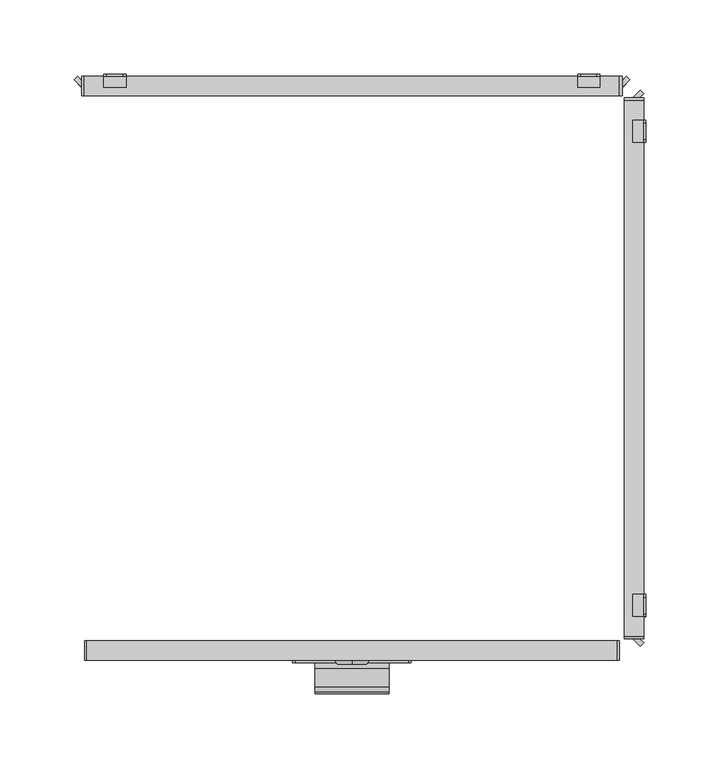
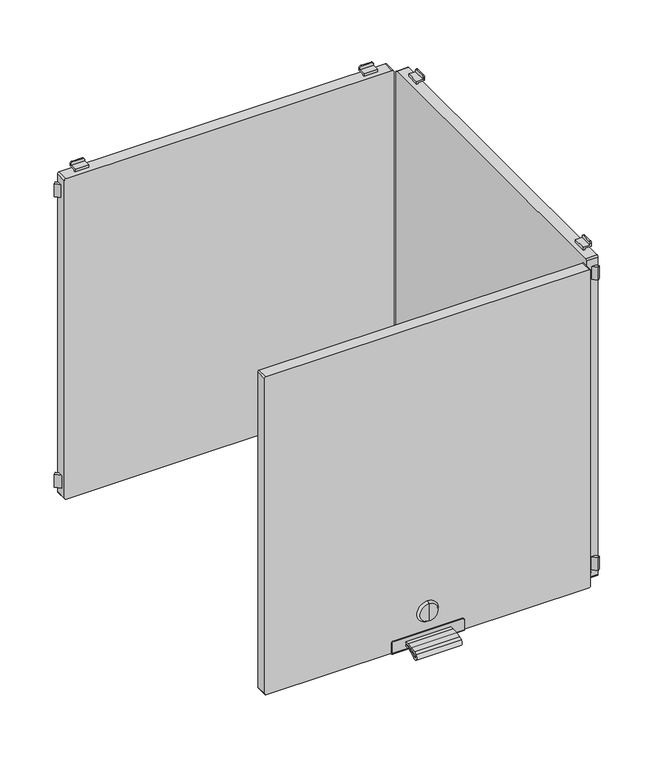
"""IFC4 building model written with IfcOpenShell, lengths in millimetres: furniture geometry."""

from ifc_helpers import new_model, si_unit, point, frame, frame_2d, origin, place, context, project, spatial, polyline, circle_curve, trimmed, segment, composite_curve, outline, extrude, source, transform, mapped, element, save
from ifc_brep_helpers import plane_surface, cylinder_surface, revolved_surface, advanced_brep


def furniture_97cbae9f(model_context):
    return source(origin(), model_context, "Body", "SolidModel", [
        extrude(outline(composite_curve([segment(polyline([(-202.226909, 1330.4286545), (-198.5, 1330.4286545), (-198.5, 1328.5286545), (-202.226909, 1328.5286545)]), True, "CONTINUOUS"), segment(trimmed(circle_curve(frame_2d((-202.226909, 1286.4886922)), 42.0399623), [point((-202.226909, 1328.5286545))], [point((-214.4555436, 1326.710812))], True, "CARTESIAN"), True, "CONTINUOUS"), segment(trimmed(circle_curve(frame_2d((-212.0259096, 1318.7193203)), 8.352668), [point((-214.4555436, 1326.710812))], [point((-216.9670362, 1325.4537341))], True, "CARTESIAN"), True, "CONTINUOUS"), segment(trimmed(circle_curve(frame_2d((-215.7726745, 1323.8259018)), 2.0189943), [point((-216.9670362, 1325.4537341))], [point((-214.4167634, 1322.3299595))], True, "CARTESIAN"), True, "CONTINUOUS"), segment(trimmed(circle_curve(frame_2d((-202.2269079, 1308.8812021)), 18.1510786), [point((-214.4167634, 1322.3299595))], [point((-202.2269079, 1327.0322806))], False, "CARTESIAN"), True, "CONTINUOUS"), segment(polyline([(-202.2269079, 1327.0322806), (-198.5, 1327.0322806), (-198.5, 1325.1322806), (-202.2269079, 1325.1322806)]), True, "CONTINUOUS"), segment(trimmed(circle_curve(frame_2d((-202.2269079, 1308.8812021)), 16.2510786), [point((-202.2269079, 1325.1322806))], [point((-213.1407662, 1320.9221843))], True, "CARTESIAN"), True, "CONTINUOUS"), segment(trimmed(circle_curve(frame_2d((-215.7726745, 1323.8259018)), 3.9189943), [point((-213.1407662, 1320.9221843))], [point((-218.0910053, 1326.9856263))], False, "CARTESIAN"), True, "CONTINUOUS"), segment(trimmed(circle_curve(frame_2d((-212.0259096, 1318.7193203)), 10.252668), [point((-218.0910053, 1326.9856263))], [point((-215.0082179, 1328.5286545))], False, "CARTESIAN"), True, "CONTINUOUS"), segment(trimmed(circle_curve(frame_2d((-202.226909, 1286.4886922)), 43.9399623), [point((-215.0082179, 1328.5286545))], [point((-202.226909, 1330.4286545))], False, "CARTESIAN"), True, "CONTINUOUS")], self_intersect=False)), frame((-25.0, 0.0, 0.0), z_axis=(1.0, 0.0, 0.0), x_axis=(0.0, 1.0, 0.0)), (0.0, 0.0, 1.0), 50.0),
        advanced_brep(
        [(0.0, -199.7, 1356.6837841), (0.0, -199.7, 1366.6265951), (0.0, -199.7, 1346.740973), (0.0, -197.0, 1344.8059292), (0.0, -197.0, 1368.5616389), (0.0, -197.0, 1356.6837841)],
        [
            (0, 1),
            (1, 2, circle_curve(frame((0.0, -199.7, 1356.6837841), z_axis=(0.0, -1.0, 0.0), x_axis=(0.0, 0.0, 1.0)), 9.9428111)),
            (2, 0),
            (2, 1, circle_curve(frame((0.0, -199.7, 1356.6837841), z_axis=(0.0, -1.0, 0.0), x_axis=(0.0, 0.0, 1.0)), 9.9428111)),
            (3, 4, circle_curve(frame((0.0, -197.0, 1356.6837841), z_axis=(0.0, 1.0, 0.0), x_axis=(0.0, 0.0, 1.0)), 11.8778548)),
            (4, 5),
            (5, 3),
            (4, 3, circle_curve(frame((0.0, -197.0, 1356.6837841), z_axis=(0.0, 1.0, 0.0), x_axis=(0.0, 0.0, 1.0)), 11.8778548)),
            (1, 4),
            (3, 2),
        ],
        [
            plane_surface(frame((0.0, -199.7, 1356.6837841), z_axis=(0.0, -1.0, 0.0), x_axis=(0.0, 0.0, 1.0))),
            plane_surface(frame((0.0, -197.0, 1356.6837841), z_axis=(0.0, 1.0, 0.0), x_axis=(0.0, 0.0, 1.0))),
            revolved_surface(polyline([(0.0, -197.0, 1368.5616389), (0.0, -199.7, 1366.6265951)]), (0.0, -202.2563621, 1356.6837841), (0.0, -1.0, 0.0)),
        ],
        [
            (0, [[1, 2, 3]]),
            (0, [[-3, 4, -1]]),
            (1, [[5, 6, 7]]),
            (1, [[8, -7, -6]]),
            (2, [[-2, 9, -5, 10]]),
            (2, [[-4, -10, -8, -9]]),
        ],
    ),
        advanced_brep(
        [(38.2, -198.5, 1335.0), (-38.2, -198.5, 1335.0), (-40.0, -198.5, 1333.2), (-40.0, -198.5, 1322.0), (40.0, -198.5, 1322.0), (40.0, -198.5, 1333.2), (38.2, -197.0, 1335.0), (40.0, -197.0, 1333.2), (40.0, -197.0, 1321.5), (-40.0, -197.0, 1321.5), (-40.0, -197.0, 1333.2), (-38.2, -197.0, 1335.0), (-40.0, -184.0, 1321.5), (-40.0, -184.0, 1320.0), (-40.0, -196.5, 1320.0), (40.0, -196.5, 1320.0), (40.0, -184.0, 1320.0), (40.0, -184.0, 1321.5)],
        [
            (0, 1),
            (1, 2, circle_curve(frame((-38.2, -198.5, 1333.2), z_axis=(0.0, -1.0, 0.0), x_axis=(1.0, 0.0, 0.0)), 1.8)),
            (2, 3),
            (3, 4),
            (4, 5),
            (5, 0, circle_curve(frame((38.2, -198.5, 1333.2), z_axis=(0.0, -1.0, 0.0), x_axis=(1.0, 0.0, 0.0)), 1.8)),
            (6, 7, circle_curve(frame((38.2, -197.0, 1333.2), z_axis=(0.0, 1.0, 0.0), x_axis=(1.0, 0.0, 0.0)), 1.8)),
            (7, 8),
            (8, 9),
            (9, 10),
            (10, 11, circle_curve(frame((-38.2, -197.0, 1333.2), z_axis=(0.0, 1.0, 0.0), x_axis=(1.0, 0.0, 0.0)), 1.8)),
            (11, 6),
            (0, 6),
            (11, 1),
            (10, 2),
            (9, 12),
            (12, 13),
            (13, 14),
            (14, 3, circle_curve(frame((-40.0, -196.5, 1322.0), z_axis=(-1.0, 0.0, 0.0), x_axis=(0.0, 1.0, 0.0)), 2.0)),
            (4, 15, circle_curve(frame((40.0, -196.5, 1322.0), z_axis=(1.0, 0.0, 0.0), x_axis=(0.0, 1.0, 0.0)), 2.0)),
            (15, 16),
            (16, 17),
            (17, 8),
            (7, 5),
            (15, 14),
            (13, 16),
            (12, 17),
        ],
        [
            plane_surface(frame((-40.0, -198.5, 1335.0), z_axis=(0.0, -1.0, 0.0), x_axis=(-1.0, 0.0, 0.0))),
            plane_surface(frame((-40.0, -197.0, 1335.0), z_axis=(0.0, 1.0, 0.0), x_axis=(1.0, 0.0, 0.0))),
            plane_surface(frame((38.2, -198.5, 1335.0), z_axis=(0.0, 0.0, 1.0), x_axis=(0.0, 1.0, 0.0))),
            cylinder_surface(frame((-38.2, -197.0, 1333.2), z_axis=(0.0, -1.0, 0.0), x_axis=(1.0, 0.0, 0.0)), 1.8),
            plane_surface(frame((-40.0, -198.5, 1333.2), z_axis=(-1.0, 0.0, 0.0), x_axis=(0.0, 1.0, 0.0))),
            plane_surface(frame((40.0, -198.5, 1324.5), z_axis=(1.0, 0.0, 0.0), x_axis=(0.0, 1.0, 0.0))),
            cylinder_surface(frame((38.2, -197.0, 1333.2), z_axis=(0.0, -1.0, 0.0), x_axis=(1.0, 0.0, 0.0)), 1.8),
            plane_surface(frame((40.0, -196.5, 1320.0), z_axis=(0.0, 0.0, -1.0), x_axis=(-1.0, 0.0, 0.0))),
            plane_surface(frame((40.0, -184.0, 1320.0), z_axis=(0.0, 1.0, 0.0), x_axis=(-1.0, 0.0, 0.0))),
            plane_surface(frame((40.0, -184.0, 1321.5), z_axis=(0.0, 0.0, 1.0), x_axis=(-1.0, 0.0, 0.0))),
            cylinder_surface(frame((-40.0, -196.5, 1322.0), z_axis=(1.0, 0.0, 0.0), x_axis=(0.0, 1.0, 0.0)), 2.0),
        ],
        [
            (0, [[1, 2, 3, 4, 5, 6]]),
            (1, [[7, 8, 9, 10, 11, 12]]),
            (2, [[-1, 13, -12, 14]]),
            (3, [[-2, -14, -11, 15]]),
            (4, [[-3, -15, -10, 16, 17, 18, 19]]),
            (5, [[-5, 20, 21, 22, 23, -8, 24]]),
            (6, [[-6, -24, -7, -13]]),
            (7, [[-21, 25, -18, 26]]),
            (8, [[-22, -26, -17, 27]]),
            (9, [[-23, -27, -16, -9]]),
            (10, [[-20, -4, -19, -25]]),
        ],
    ),
        extrude(outline(composite_curve([segment(polyline([(1693.5, 179.0), (1693.5, -179.0)]), True, "CONTINUOUS"), segment(trimmed(circle_curve(frame_2d((1692.0, -179.0)), 1.5), [point((1693.5, -179.0))], [point((1692.0, -180.5))], False, "CARTESIAN"), True, "CONTINUOUS"), segment(polyline([(1692.0, -180.5), (1323.0, -180.5)]), True, "CONTINUOUS"), segment(trimmed(circle_curve(frame_2d((1323.0, -179.0)), 1.5), [point((1323.0, -180.5))], [point((1321.5, -179.0))], False, "CARTESIAN"), True, "CONTINUOUS"), segment(polyline([(1321.5, -179.0), (1321.5, 179.0)]), True, "CONTINUOUS"), segment(trimmed(circle_curve(frame_2d((1323.0, 179.0)), 1.5), [point((1321.5, 179.0))], [point((1323.0, 180.5))], False, "CARTESIAN"), True, "CONTINUOUS"), segment(polyline([(1323.0, 180.5), (1692.0, 180.5)]), True, "CONTINUOUS"), segment(trimmed(circle_curve(frame_2d((1692.0, 179.0)), 1.5), [point((1692.0, 180.5))], [point((1693.5, 179.0))], False, "CARTESIAN"), True, "CONTINUOUS")], self_intersect=False)), frame((0.0, -197.0, 0.0), z_axis=(0.0, 1.0, 0.0), x_axis=(0.0, 0.0, 1.0)), (0.0, 0.0, 1.0), 13.0),
        advanced_brep(
        [(152.5, 197.0, 1315.5), (154.5, 197.0, 1313.5), (165.5, 197.0, 1313.5), (167.5, 197.0, 1315.5), (167.5, 197.0, 1317.0), (152.5, 197.0, 1317.0), (152.5, 198.5, 1318.5), (167.5, 198.5, 1318.5), (167.5, 198.5, 1315.5), (165.5, 198.5, 1313.5), (154.5, 198.5, 1313.5), (152.5, 198.5, 1315.5), (152.5, 189.5011497, 1317.0), (152.5, 189.5011497, 1320.0), (152.5, 191.0011497, 1320.0), (152.5, 191.0011497, 1318.5), (167.5, 191.0011497, 1318.5), (167.5, 191.0011497, 1320.0), (167.5, 189.5011497, 1320.0), (167.5, 189.5011497, 1317.0)],
        [
            (0, 1, circle_curve(frame((154.5, 197.0, 1315.5), z_axis=(0.0, -1.0, 0.0), x_axis=(1.0, 0.0, 0.0)), 2.0)),
            (1, 2),
            (2, 3, circle_curve(frame((165.5, 197.0, 1315.5), z_axis=(0.0, -1.0, 0.0), x_axis=(1.0, 0.0, 0.0)), 2.0)),
            (3, 4),
            (4, 5),
            (5, 0),
            (6, 7),
            (7, 8),
            (8, 9, circle_curve(frame((165.5, 198.5, 1315.5), z_axis=(0.0, 1.0, 0.0), x_axis=(1.0, 0.0, 0.0)), 2.0)),
            (9, 10),
            (10, 11, circle_curve(frame((154.5, 198.5, 1315.5), z_axis=(0.0, 1.0, 0.0), x_axis=(1.0, 0.0, 0.0)), 2.0)),
            (11, 6),
            (11, 0),
            (5, 12),
            (12, 13),
            (13, 14),
            (14, 15),
            (15, 6),
            (10, 1),
            (9, 2),
            (8, 3),
            (7, 16),
            (16, 17),
            (17, 18),
            (18, 19),
            (19, 4),
            (15, 16),
            (12, 19),
            (18, 13),
            (17, 14),
        ],
        [
            plane_surface(frame((152.5, 197.0, 1317.0), z_axis=(0.0, -1.0, 0.0), x_axis=(0.0, 0.0, -1.0))),
            plane_surface(frame((152.5, 198.5, 1317.0), z_axis=(0.0, 1.0, 0.0), x_axis=(0.0, 0.0, 1.0))),
            plane_surface(frame((152.5, 197.0, 1318.5), z_axis=(-1.0, 0.0, 0.0), x_axis=(0.0, 1.0, 0.0))),
            cylinder_surface(frame((154.5, 198.5, 1315.5), z_axis=(0.0, -1.0, 0.0), x_axis=(1.0, 0.0, 0.0)), 2.0),
            plane_surface(frame((154.5, 197.0, 1313.5), z_axis=(0.0, 0.0, -1.0), x_axis=(0.0, 1.0, 0.0))),
            cylinder_surface(frame((165.5, 198.5, 1315.5), z_axis=(0.0, -1.0, 0.0), x_axis=(1.0, 0.0, 0.0)), 2.0),
            plane_surface(frame((167.5, 197.0, 1315.5), z_axis=(1.0, 0.0, 0.0), x_axis=(0.0, 1.0, 0.0))),
            plane_surface(frame((167.5, 197.0, 1318.5), z_axis=(0.0, 0.0, 1.0), x_axis=(0.0, 1.0, 0.0))),
            plane_surface(frame((152.5, 189.5011497, 1317.0), z_axis=(0.0, -1.0, 0.0), x_axis=(1.0, 0.0, 0.0))),
            plane_surface(frame((152.5, 189.5011497, 1320.0), z_axis=(0.0, 0.0, 1.0), x_axis=(1.0, 0.0, 0.0))),
            plane_surface(frame((152.5, 191.0011497, 1320.0), z_axis=(0.0, 1.0, 0.0), x_axis=(1.0, 0.0, 0.0))),
            plane_surface(frame((152.5, 197.0, 1317.0), z_axis=(0.0, 0.0, -1.0), x_axis=(1.0, 0.0, 0.0))),
        ],
        [
            (0, [[1, 2, 3, 4, 5, 6]]),
            (1, [[7, 8, 9, 10, 11, 12]]),
            (2, [[-12, 13, -6, 14, 15, 16, 17, 18]]),
            (3, [[-1, -13, -11, 19]]),
            (4, [[-2, -19, -10, 20]]),
            (5, [[-3, -20, -9, 21]]),
            (6, [[-8, 22, 23, 24, 25, 26, -4, -21]]),
            (7, [[-22, -7, -18, 27]]),
            (8, [[-15, 28, -25, 29]]),
            (9, [[-16, -29, -24, 30]]),
            (10, [[-17, -30, -23, -27]]),
            (11, [[-14, -5, -26, -28]]),
        ],
    ),
        advanced_brep(
        [(-167.5, 197.0, 1315.5), (-165.5, 197.0, 1313.5), (-154.5, 197.0, 1313.5), (-152.5, 197.0, 1315.5), (-152.5, 197.0, 1317.0), (-167.5, 197.0, 1317.0), (-152.5, 198.5, 1318.5), (-152.5, 198.5, 1315.5), (-154.5, 198.5, 1313.5), (-165.5, 198.5, 1313.5), (-167.5, 198.5, 1315.5), (-167.5, 198.5, 1318.5), (-167.5, 191.0011497, 1318.5), (-152.5, 191.0011497, 1318.5), (-167.5, 189.5011497, 1317.0), (-167.5, 189.5011497, 1320.0), (-167.5, 191.0011497, 1320.0), (-152.5, 191.0011497, 1320.0), (-152.5, 189.5011497, 1320.0), (-152.5, 189.5011497, 1317.0)],
        [
            (0, 1, circle_curve(frame((-165.5, 197.0, 1315.5), z_axis=(0.0, -1.0, 0.0), x_axis=(1.0, 0.0, 0.0)), 2.0)),
            (1, 2),
            (2, 3, circle_curve(frame((-154.5, 197.0, 1315.5), z_axis=(0.0, -1.0, 0.0), x_axis=(1.0, 0.0, 0.0)), 2.0)),
            (3, 4),
            (4, 5),
            (5, 0),
            (6, 7),
            (7, 8, circle_curve(frame((-154.5, 198.5, 1315.5), z_axis=(0.0, 1.0, 0.0), x_axis=(1.0, 0.0, 0.0)), 2.0)),
            (8, 9),
            (9, 10, circle_curve(frame((-165.5, 198.5, 1315.5), z_axis=(0.0, 1.0, 0.0), x_axis=(1.0, 0.0, 0.0)), 2.0)),
            (10, 11),
            (11, 6),
            (11, 12),
            (12, 13),
            (13, 6),
            (10, 0),
            (5, 14),
            (14, 15),
            (15, 16),
            (16, 12),
            (9, 1),
            (8, 2),
            (7, 3),
            (13, 17),
            (17, 18),
            (18, 19),
            (19, 4),
            (18, 15),
            (14, 19),
            (17, 16),
        ],
        [
            plane_surface(frame((152.5, 197.0, 1317.0), z_axis=(0.0, -1.0, 0.0), x_axis=(0.0, 0.0, -1.0))),
            plane_surface(frame((152.5, 198.5, 1317.0), z_axis=(0.0, 1.0, 0.0), x_axis=(0.0, 0.0, 1.0))),
            plane_surface(frame((-152.5, 197.0, 1318.5), z_axis=(0.0, 0.0, 1.0), x_axis=(0.0, 1.0, 0.0))),
            plane_surface(frame((-167.5, 197.0, 1318.5), z_axis=(-1.0, 0.0, 0.0), x_axis=(0.0, 1.0, 0.0))),
            cylinder_surface(frame((-165.5, 200.0, 1315.5), z_axis=(0.0, -1.0, 0.0), x_axis=(1.0, 0.0, 0.0)), 2.0),
            plane_surface(frame((-165.5, 197.0, 1313.5), z_axis=(0.0, 0.0, -1.0), x_axis=(0.0, 1.0, 0.0))),
            cylinder_surface(frame((-154.5, 200.0, 1315.5), z_axis=(0.0, -1.0, 0.0), x_axis=(1.0, 0.0, 0.0)), 2.0),
            plane_surface(frame((-152.5, 197.0, 1315.5), z_axis=(1.0, 0.0, 0.0), x_axis=(0.0, 1.0, 0.0))),
            plane_surface(frame((-152.5, 189.5011497, 1320.0), z_axis=(0.0, -1.0, 0.0), x_axis=(-1.0, 0.0, 0.0))),
            plane_surface(frame((-152.5, 191.0011497, 1320.0), z_axis=(0.0, 0.0, 1.0), x_axis=(-1.0, 0.0, 0.0))),
            plane_surface(frame((-152.5, 191.0011497, 1318.5), z_axis=(0.0, 1.0, 0.0), x_axis=(-1.0, 0.0, 0.0))),
            plane_surface(frame((-152.5, 189.5011497, 1317.0), z_axis=(0.0, 0.0, -1.0), x_axis=(-1.0, 0.0, 0.0))),
        ],
        [
            (0, [[1, 2, 3, 4, 5, 6]]),
            (1, [[7, 8, 9, 10, 11, 12]]),
            (2, [[-12, 13, 14, 15]]),
            (3, [[-11, 16, -6, 17, 18, 19, 20, -13]]),
            (4, [[-1, -16, -10, 21]]),
            (5, [[-2, -21, -9, 22]]),
            (6, [[-3, -22, -8, 23]]),
            (7, [[-7, -15, 24, 25, 26, 27, -4, -23]]),
            (8, [[-26, 28, -18, 29]]),
            (9, [[-25, 30, -19, -28]]),
            (10, [[-24, -14, -20, -30]]),
            (11, [[-27, -29, -17, -5]]),
        ],
    ),
        advanced_brep(
        [(167.5, 197.0, 1699.5), (165.5, 197.0, 1701.5), (154.5, 197.0, 1701.5), (152.5, 197.0, 1699.5), (152.5, 197.0, 1698.0), (167.5, 197.0, 1698.0), (152.5, 198.5, 1696.5), (152.5, 198.5, 1699.5), (154.5, 198.5, 1701.5), (165.5, 198.5, 1701.5), (167.5, 198.5, 1699.5), (167.5, 198.5, 1696.5), (152.5, 189.5011497, 1698.0), (152.5, 191.0011497, 1696.5), (152.5, 191.0011497, 1695.0), (152.5, 189.5011497, 1695.0), (167.5, 189.5011497, 1698.0), (167.5, 189.5011497, 1695.0), (167.5, 191.0011497, 1695.0), (167.5, 191.0011497, 1696.5)],
        [
            (0, 1, circle_curve(frame((165.5, 197.0, 1699.5), z_axis=(0.0, -1.0, 0.0), x_axis=(1.0, 0.0, 0.0)), 2.0)),
            (1, 2),
            (2, 3, circle_curve(frame((154.5, 197.0, 1699.5), z_axis=(0.0, -1.0, 0.0), x_axis=(1.0, 0.0, 0.0)), 2.0)),
            (3, 4),
            (4, 5),
            (5, 0),
            (6, 7),
            (7, 8, circle_curve(frame((154.5, 198.5, 1699.5), z_axis=(0.0, 1.0, 0.0), x_axis=(1.0, 0.0, 0.0)), 2.0)),
            (8, 9),
            (9, 10, circle_curve(frame((165.5, 198.5, 1699.5), z_axis=(0.0, 1.0, 0.0), x_axis=(1.0, 0.0, 0.0)), 2.0)),
            (10, 11),
            (11, 6),
            (12, 4),
            (3, 7),
            (6, 13),
            (13, 14),
            (14, 15),
            (15, 12),
            (16, 17),
            (17, 18),
            (18, 19),
            (19, 11),
            (10, 0),
            (5, 16),
            (19, 13),
            (9, 1),
            (8, 2),
            (12, 16),
            (18, 14),
            (17, 15),
        ],
        [
            plane_surface(frame((152.5, 197.0, 1317.0), z_axis=(0.0, -1.0, 0.0), x_axis=(0.0, 0.0, -1.0))),
            plane_surface(frame((152.5, 198.5, 1317.0), z_axis=(0.0, 1.0, 0.0), x_axis=(0.0, 0.0, 1.0))),
            plane_surface(frame((152.5, 197.0, 1318.5), z_axis=(-1.0, 0.0, 0.0), x_axis=(0.0, 1.0, 0.0))),
            plane_surface(frame((167.5, 197.0, 1315.5), z_axis=(1.0, 0.0, 0.0), x_axis=(0.0, 1.0, 0.0))),
            plane_surface(frame((152.5, 197.0, 1696.5), z_axis=(0.0, 0.0, -1.0), x_axis=(0.0, 1.0, 0.0))),
            cylinder_surface(frame((165.5, 200.0, 1699.5), z_axis=(0.0, -1.0, 0.0), x_axis=(1.0, 0.0, 0.0)), 2.0),
            plane_surface(frame((165.5, 197.0, 1701.5), z_axis=(0.0, 0.0, 1.0), x_axis=(0.0, 1.0, 0.0))),
            cylinder_surface(frame((154.5, 200.0, 1699.5), z_axis=(0.0, -1.0, 0.0), x_axis=(1.0, 0.0, 0.0)), 2.0),
            plane_surface(frame((152.5, 189.5011497, 1698.0), z_axis=(0.0, 0.0, 1.0), x_axis=(1.0, 0.0, 0.0))),
            plane_surface(frame((152.5, 191.0011497, 1696.5), z_axis=(0.0, 1.0, 0.0), x_axis=(1.0, 0.0, 0.0))),
            plane_surface(frame((152.5, 191.0011497, 1695.0), z_axis=(0.0, 0.0, -1.0), x_axis=(1.0, 0.0, 0.0))),
            plane_surface(frame((152.5, 189.5011497, 1695.0), z_axis=(0.0, -1.0, 0.0), x_axis=(1.0, 0.0, 0.0))),
        ],
        [
            (0, [[1, 2, 3, 4, 5, 6]]),
            (1, [[7, 8, 9, 10, 11, 12]]),
            (2, [[13, -4, 14, -7, 15, 16, 17, 18]]),
            (3, [[19, 20, 21, 22, -11, 23, -6, 24]]),
            (4, [[-15, -12, -22, 25]]),
            (5, [[-1, -23, -10, 26]]),
            (6, [[-2, -26, -9, 27]]),
            (7, [[-3, -27, -8, -14]]),
            (8, [[-13, 28, -24, -5]]),
            (9, [[-16, -25, -21, 29]]),
            (10, [[-17, -29, -20, 30]]),
            (11, [[-18, -30, -19, -28]]),
        ],
    ),
        advanced_brep(
        [(-152.5, 197.0, 1699.5), (-154.5, 197.0, 1701.5), (-165.5, 197.0, 1701.5), (-167.5, 197.0, 1699.5), (-167.5, 197.0, 1698.0), (-152.5, 197.0, 1698.0), (-152.5, 198.5, 1696.5), (-167.5, 198.5, 1696.5), (-167.5, 198.5, 1699.5), (-165.5, 198.5, 1701.5), (-154.5, 198.5, 1701.5), (-152.5, 198.5, 1699.5), (-167.5, 191.0011497, 1696.5), (-167.5, 191.0011497, 1695.0), (-167.5, 189.5011497, 1695.0), (-167.5, 189.5011497, 1698.0), (-152.5, 189.5011497, 1698.0), (-152.5, 189.5011497, 1695.0), (-152.5, 191.0011497, 1695.0), (-152.5, 191.0011497, 1696.5)],
        [
            (0, 1, circle_curve(frame((-154.5, 197.0, 1699.5), z_axis=(0.0, -1.0, 0.0), x_axis=(1.0, 0.0, 0.0)), 2.0)),
            (1, 2),
            (2, 3, circle_curve(frame((-165.5, 197.0, 1699.5), z_axis=(0.0, -1.0, 0.0), x_axis=(1.0, 0.0, 0.0)), 2.0)),
            (3, 4),
            (4, 5),
            (5, 0),
            (6, 7),
            (7, 8),
            (8, 9, circle_curve(frame((-165.5, 198.5, 1699.5), z_axis=(0.0, 1.0, 0.0), x_axis=(1.0, 0.0, 0.0)), 2.0)),
            (9, 10),
            (10, 11, circle_curve(frame((-154.5, 198.5, 1699.5), z_axis=(0.0, 1.0, 0.0), x_axis=(1.0, 0.0, 0.0)), 2.0)),
            (11, 6),
            (7, 12),
            (12, 13),
            (13, 14),
            (14, 15),
            (15, 4),
            (3, 8),
            (11, 0),
            (5, 16),
            (16, 17),
            (17, 18),
            (18, 19),
            (19, 6),
            (10, 1),
            (9, 2),
            (19, 12),
            (15, 16),
            (18, 13),
            (17, 14),
        ],
        [
            plane_surface(frame((152.5, 197.0, 1317.0), z_axis=(0.0, -1.0, 0.0), x_axis=(0.0, 0.0, -1.0))),
            plane_surface(frame((152.5, 198.5, 1317.0), z_axis=(0.0, 1.0, 0.0), x_axis=(0.0, 0.0, 1.0))),
            plane_surface(frame((-167.5, 197.0, 1318.5), z_axis=(-1.0, 0.0, 0.0), x_axis=(0.0, 1.0, 0.0))),
            plane_surface(frame((-152.5, 197.0, 1315.5), z_axis=(1.0, 0.0, 0.0), x_axis=(0.0, 1.0, 0.0))),
            cylinder_surface(frame((-154.5, 200.0, 1699.5), z_axis=(0.0, -1.0, 0.0), x_axis=(1.0, 0.0, 0.0)), 2.0),
            plane_surface(frame((-154.5, 197.0, 1701.5), z_axis=(0.0, 0.0, 1.0), x_axis=(0.0, 1.0, 0.0))),
            cylinder_surface(frame((-165.5, 200.0, 1699.5), z_axis=(0.0, -1.0, 0.0), x_axis=(1.0, 0.0, 0.0)), 2.0),
            plane_surface(frame((-167.5, 197.0, 1696.5), z_axis=(0.0, 0.0, -1.0), x_axis=(0.0, 1.0, 0.0))),
            plane_surface(frame((-152.5, 197.0, 1698.0), z_axis=(0.0, 0.0, 1.0), x_axis=(-1.0, 0.0, 0.0))),
            plane_surface(frame((-152.5, 191.0011497, 1695.0), z_axis=(0.0, 1.0, 0.0), x_axis=(-1.0, 0.0, 0.0))),
            plane_surface(frame((-152.5, 189.5011497, 1695.0), z_axis=(0.0, 0.0, -1.0), x_axis=(-1.0, 0.0, 0.0))),
            plane_surface(frame((-152.5, 189.5011497, 1698.0), z_axis=(0.0, -1.0, 0.0), x_axis=(-1.0, 0.0, 0.0))),
        ],
        [
            (0, [[1, 2, 3, 4, 5, 6]]),
            (1, [[7, 8, 9, 10, 11, 12]]),
            (2, [[-8, 13, 14, 15, 16, 17, -4, 18]]),
            (3, [[-12, 19, -6, 20, 21, 22, 23, 24]]),
            (4, [[-1, -19, -11, 25]]),
            (5, [[-2, -25, -10, 26]]),
            (6, [[-3, -26, -9, -18]]),
            (7, [[-7, -24, 27, -13]]),
            (8, [[-20, -5, -17, 28]]),
            (9, [[-23, 29, -14, -27]]),
            (10, [[-22, 30, -15, -29]]),
            (11, [[-21, -28, -16, -30]]),
        ],
    ),
        extrude(outline(polyline([(-185.3223305, 197.0), (-182.5, 194.1776695), (-182.5, 189.5011497), (-187.6605904, 194.6617401), (-185.3223305, 197.0)])), frame((0.0, 0.0, 1330.0), z_axis=(0.0, 0.0, 1.0), x_axis=(1.0, 0.0, 0.0)), (0.0, 0.0, 1.0), 15.0),
        extrude(outline(polyline([(185.3223305, 197.0), (187.6605904, 194.6617401), (182.5, 189.5011497), (182.5, 194.1776695), (185.3223305, 197.0)])), frame((0.0, 0.0, 1330.0), z_axis=(0.0, 0.0, 1.0), x_axis=(1.0, 0.0, 0.0)), (0.0, 0.0, 1.0), 15.0),
        extrude(outline(composite_curve([segment(trimmed(circle_curve(frame_2d((1693.2, 180.7)), 1.8), [point((1693.2, 182.5))], [point((1695.0, 180.7))], False, "CARTESIAN"), True, "CONTINUOUS"), segment(polyline([(1695.0, 180.7), (1695.0, -180.7)]), True, "CONTINUOUS"), segment(trimmed(circle_curve(frame_2d((1693.2, -180.7)), 1.8), [point((1695.0, -180.7))], [point((1693.2, -182.5))], False, "CARTESIAN"), True, "CONTINUOUS"), segment(polyline([(1693.2, -182.5), (1321.8, -182.5)]), True, "CONTINUOUS"), segment(trimmed(circle_curve(frame_2d((1321.8, -180.7)), 1.8), [point((1321.8, -182.5))], [point((1320.0, -180.7))], False, "CARTESIAN"), True, "CONTINUOUS"), segment(polyline([(1320.0, -180.7), (1320.0, 180.7)]), True, "CONTINUOUS"), segment(trimmed(circle_curve(frame_2d((1321.8, 180.7)), 1.8), [point((1320.0, 180.7))], [point((1321.8, 182.5))], False, "CARTESIAN"), True, "CONTINUOUS"), segment(polyline([(1321.8, 182.5), (1693.2, 182.5)]), True, "CONTINUOUS")], self_intersect=False)), frame((0.0, 183.999795, 0.0), z_axis=(0.0, 1.0, 0.0), x_axis=(0.0, 0.0, 1.0)), (0.0, 0.0, 1.0), 13.000205),
        extrude(outline(polyline([(-185.3223305, 197.0), (-182.5, 194.1776695), (-182.5, 189.5011497), (-187.6605904, 194.6617401), (-185.3223305, 197.0)])), frame((0.0, 0.0, 1670.0), z_axis=(0.0, 0.0, 1.0), x_axis=(1.0, 0.0, 0.0)), (0.0, 0.0, 1.0), 15.0),
        extrude(outline(polyline([(185.3223305, 197.0), (187.6605904, 194.6617401), (182.5, 189.5011497), (182.5, 194.1776695), (185.3223305, 197.0)])), frame((0.0, 0.0, 1670.0), z_axis=(0.0, 0.0, 1.0), x_axis=(1.0, 0.0, 0.0)), (0.0, 0.0, 1.0), 15.0),
        advanced_brep(
        [(197.0, 152.5, 1315.5), (197.0, 152.5, 1317.0), (197.0, 167.5, 1317.0), (197.0, 167.5, 1315.5), (197.0, 165.5, 1313.5), (197.0, 154.5, 1313.5), (198.5, 152.5, 1318.5), (198.5, 152.5, 1315.5), (198.5, 154.5, 1313.5), (198.5, 165.5, 1313.5), (198.5, 167.5, 1315.5), (198.5, 167.5, 1318.5), (191.0011497, 152.5, 1318.5), (191.0011497, 152.5, 1320.0), (189.5011497, 152.5, 1320.0), (189.5011497, 152.5, 1317.0), (189.5011497, 167.5, 1317.0), (189.5011497, 167.5, 1320.0), (191.0011497, 167.5, 1320.0), (191.0011497, 167.5, 1318.5)],
        [
            (0, 1),
            (1, 2),
            (2, 3),
            (3, 4, circle_curve(frame((197.0, 165.5, 1315.5), z_axis=(-1.0, 0.0, 0.0), x_axis=(0.0, 1.0, 0.0)), 2.0)),
            (4, 5),
            (5, 0, circle_curve(frame((197.0, 154.5, 1315.5), z_axis=(-1.0, 0.0, 0.0), x_axis=(0.0, 1.0, 0.0)), 2.0)),
            (6, 7),
            (7, 8, circle_curve(frame((198.5, 154.5, 1315.5), z_axis=(1.0, 0.0, 0.0), x_axis=(0.0, 1.0, 0.0)), 2.0)),
            (8, 9),
            (9, 10, circle_curve(frame((198.5, 165.5, 1315.5), z_axis=(1.0, 0.0, 0.0), x_axis=(0.0, 1.0, 0.0)), 2.0)),
            (10, 11),
            (11, 6),
            (6, 12),
            (12, 13),
            (13, 14),
            (14, 15),
            (15, 1),
            (0, 7),
            (5, 8),
            (4, 9),
            (3, 10),
            (2, 16),
            (16, 17),
            (17, 18),
            (18, 19),
            (19, 11),
            (19, 12),
            (14, 17),
            (16, 15),
            (13, 18),
        ],
        [
            plane_surface(frame((197.0, 152.5, 1317.0), z_axis=(-1.0, 0.0, 0.0), x_axis=(0.0, 0.0, -1.0))),
            plane_surface(frame((198.5, 152.5, 1317.0), z_axis=(1.0, 0.0, 0.0), x_axis=(0.0, 0.0, 1.0))),
            plane_surface(frame((197.0, 152.5, 1318.5), z_axis=(0.0, -1.0, 0.0), x_axis=(1.0, 0.0, 0.0))),
            cylinder_surface(frame((198.5, 154.5, 1315.5), z_axis=(-1.0, 0.0, 0.0), x_axis=(0.0, 1.0, 0.0)), 2.0),
            plane_surface(frame((197.0, 154.5, 1313.5), z_axis=(0.0, 0.0, -1.0), x_axis=(1.0, 0.0, 0.0))),
            cylinder_surface(frame((198.5, 165.5, 1315.5), z_axis=(-1.0, 0.0, 0.0), x_axis=(0.0, 1.0, 0.0)), 2.0),
            plane_surface(frame((197.0, 167.5, 1315.5), z_axis=(0.0, 1.0, 0.0), x_axis=(1.0, 0.0, 0.0))),
            plane_surface(frame((197.0, 167.5, 1318.5), z_axis=(0.0, 0.0, 1.0), x_axis=(1.0, 0.0, 0.0))),
            plane_surface(frame((189.5011497, 152.5, 1317.0), z_axis=(-1.0, 0.0, 0.0), x_axis=(0.0, 1.0, 0.0))),
            plane_surface(frame((189.5011497, 152.5, 1320.0), z_axis=(0.0, 0.0, 1.0), x_axis=(0.0, 1.0, 0.0))),
            plane_surface(frame((191.0011497, 152.5, 1320.0), z_axis=(1.0, 0.0, 0.0), x_axis=(0.0, 1.0, 0.0))),
            plane_surface(frame((197.0, 152.5, 1317.0), z_axis=(0.0, 0.0, -1.0), x_axis=(0.0, 1.0, 0.0))),
        ],
        [
            (0, [[1, 2, 3, 4, 5, 6]]),
            (1, [[7, 8, 9, 10, 11, 12]]),
            (2, [[13, 14, 15, 16, 17, -1, 18, -7]]),
            (3, [[19, -8, -18, -6]]),
            (4, [[20, -9, -19, -5]]),
            (5, [[21, -10, -20, -4]]),
            (6, [[-21, -3, 22, 23, 24, 25, 26, -11]]),
            (7, [[27, -13, -12, -26]]),
            (8, [[28, -23, 29, -16]]),
            (9, [[30, -24, -28, -15]]),
            (10, [[-27, -25, -30, -14]]),
            (11, [[-29, -22, -2, -17]]),
        ],
    ),
        advanced_brep(
        [(197.0, -167.5, 1315.5), (197.0, -167.5, 1317.0), (197.0, -152.5, 1317.0), (197.0, -152.5, 1315.5), (197.0, -154.5, 1313.5), (197.0, -165.5, 1313.5), (198.5, -152.5, 1318.5), (198.5, -167.5, 1318.5), (198.5, -167.5, 1315.5), (198.5, -165.5, 1313.5), (198.5, -154.5, 1313.5), (198.5, -152.5, 1315.5), (191.0011497, -152.5, 1318.5), (191.0011497, -167.5, 1318.5), (191.0011497, -167.5, 1320.0), (189.5011497, -167.5, 1320.0), (189.5011497, -167.5, 1317.0), (189.5011497, -152.5, 1317.0), (189.5011497, -152.5, 1320.0), (191.0011497, -152.5, 1320.0)],
        [
            (0, 1),
            (1, 2),
            (2, 3),
            (3, 4, circle_curve(frame((197.0, -154.5, 1315.5), z_axis=(-1.0, 0.0, 0.0), x_axis=(0.0, 1.0, 0.0)), 2.0)),
            (4, 5),
            (5, 0, circle_curve(frame((197.0, -165.5, 1315.5), z_axis=(-1.0, 0.0, 0.0), x_axis=(0.0, 1.0, 0.0)), 2.0)),
            (6, 7),
            (7, 8),
            (8, 9, circle_curve(frame((198.5, -165.5, 1315.5), z_axis=(1.0, 0.0, 0.0), x_axis=(0.0, 1.0, 0.0)), 2.0)),
            (9, 10),
            (10, 11, circle_curve(frame((198.5, -154.5, 1315.5), z_axis=(1.0, 0.0, 0.0), x_axis=(0.0, 1.0, 0.0)), 2.0)),
            (11, 6),
            (6, 12),
            (12, 13),
            (13, 7),
            (13, 14),
            (14, 15),
            (15, 16),
            (16, 1),
            (0, 8),
            (5, 9),
            (4, 10),
            (3, 11),
            (2, 17),
            (17, 18),
            (18, 19),
            (19, 12),
            (17, 16),
            (15, 18),
            (14, 19),
        ],
        [
            plane_surface(frame((197.0, 152.5, 1317.0), z_axis=(-1.0, 0.0, 0.0), x_axis=(0.0, 0.0, -1.0))),
            plane_surface(frame((198.5, 152.5, 1317.0), z_axis=(1.0, 0.0, 0.0), x_axis=(0.0, 0.0, 1.0))),
            plane_surface(frame((197.0, -152.5, 1318.5), z_axis=(0.0, 0.0, 1.0), x_axis=(1.0, 0.0, 0.0))),
            plane_surface(frame((197.0, -167.5, 1318.5), z_axis=(0.0, -1.0, 0.0), x_axis=(1.0, 0.0, 0.0))),
            cylinder_surface(frame((200.0, -165.5, 1315.5), z_axis=(-1.0, 0.0, 0.0), x_axis=(0.0, 1.0, 0.0)), 2.0),
            plane_surface(frame((197.0, -165.5, 1313.5), z_axis=(0.0, 0.0, -1.0), x_axis=(1.0, 0.0, 0.0))),
            cylinder_surface(frame((200.0, -154.5, 1315.5), z_axis=(-1.0, 0.0, 0.0), x_axis=(0.0, 1.0, 0.0)), 2.0),
            plane_surface(frame((197.0, -152.5, 1315.5), z_axis=(0.0, 1.0, 0.0), x_axis=(1.0, 0.0, 0.0))),
            plane_surface(frame((189.5011497, -152.5, 1320.0), z_axis=(-1.0, 0.0, 0.0), x_axis=(0.0, -1.0, 0.0))),
            plane_surface(frame((191.0011497, -152.5, 1320.0), z_axis=(0.0, 0.0, 1.0), x_axis=(0.0, -1.0, 0.0))),
            plane_surface(frame((191.0011497, -152.5, 1318.5), z_axis=(1.0, 0.0, 0.0), x_axis=(0.0, -1.0, 0.0))),
            plane_surface(frame((189.5011497, -152.5, 1317.0), z_axis=(0.0, 0.0, -1.0), x_axis=(0.0, -1.0, 0.0))),
        ],
        [
            (0, [[1, 2, 3, 4, 5, 6]]),
            (1, [[7, 8, 9, 10, 11, 12]]),
            (2, [[13, 14, 15, -7]]),
            (3, [[-15, 16, 17, 18, 19, -1, 20, -8]]),
            (4, [[21, -9, -20, -6]]),
            (5, [[22, -10, -21, -5]]),
            (6, [[23, -11, -22, -4]]),
            (7, [[-23, -3, 24, 25, 26, 27, -13, -12]]),
            (8, [[28, -18, 29, -25]]),
            (9, [[-29, -17, 30, -26]]),
            (10, [[-30, -16, -14, -27]]),
            (11, [[-2, -19, -28, -24]]),
        ],
    ),
        advanced_brep(
        [(197.0, 167.5, 1699.5), (197.0, 167.5, 1698.0), (197.0, 152.5, 1698.0), (197.0, 152.5, 1699.5), (197.0, 154.5, 1701.5), (197.0, 165.5, 1701.5), (198.5, 152.5, 1696.5), (198.5, 167.5, 1696.5), (198.5, 167.5, 1699.5), (198.5, 165.5, 1701.5), (198.5, 154.5, 1701.5), (198.5, 152.5, 1699.5), (189.5011497, 152.5, 1698.0), (189.5011497, 152.5, 1695.0), (191.0011497, 152.5, 1695.0), (191.0011497, 152.5, 1696.5), (189.5011497, 167.5, 1698.0), (191.0011497, 167.5, 1696.5), (191.0011497, 167.5, 1695.0), (189.5011497, 167.5, 1695.0)],
        [
            (0, 1),
            (1, 2),
            (2, 3),
            (3, 4, circle_curve(frame((197.0, 154.5, 1699.5), z_axis=(-1.0, 0.0, 0.0), x_axis=(0.0, 1.0, 0.0)), 2.0)),
            (4, 5),
            (5, 0, circle_curve(frame((197.0, 165.5, 1699.5), z_axis=(-1.0, 0.0, 0.0), x_axis=(0.0, 1.0, 0.0)), 2.0)),
            (6, 7),
            (7, 8),
            (8, 9, circle_curve(frame((198.5, 165.5, 1699.5), z_axis=(1.0, 0.0, 0.0), x_axis=(0.0, 1.0, 0.0)), 2.0)),
            (9, 10),
            (10, 11, circle_curve(frame((198.5, 154.5, 1699.5), z_axis=(1.0, 0.0, 0.0), x_axis=(0.0, 1.0, 0.0)), 2.0)),
            (11, 6),
            (12, 13),
            (13, 14),
            (14, 15),
            (15, 6),
            (11, 3),
            (2, 12),
            (16, 1),
            (0, 8),
            (7, 17),
            (17, 18),
            (18, 19),
            (19, 16),
            (15, 17),
            (5, 9),
            (4, 10),
            (16, 12),
            (14, 18),
            (13, 19),
        ],
        [
            plane_surface(frame((197.0, 152.5, 1317.0), z_axis=(-1.0, 0.0, 0.0), x_axis=(0.0, 0.0, -1.0))),
            plane_surface(frame((198.5, 152.5, 1317.0), z_axis=(1.0, 0.0, 0.0), x_axis=(0.0, 0.0, 1.0))),
            plane_surface(frame((197.0, 152.5, 1318.5), z_axis=(0.0, -1.0, 0.0), x_axis=(1.0, 0.0, 0.0))),
            plane_surface(frame((197.0, 167.5, 1315.5), z_axis=(0.0, 1.0, 0.0), x_axis=(1.0, 0.0, 0.0))),
            plane_surface(frame((197.0, 152.5, 1696.5), z_axis=(0.0, 0.0, -1.0), x_axis=(1.0, 0.0, 0.0))),
            cylinder_surface(frame((200.0, 165.5, 1699.5), z_axis=(-1.0, 0.0, 0.0), x_axis=(0.0, 1.0, 0.0)), 2.0),
            plane_surface(frame((197.0, 165.5, 1701.5), z_axis=(0.0, 0.0, 1.0), x_axis=(1.0, 0.0, 0.0))),
            cylinder_surface(frame((200.0, 154.5, 1699.5), z_axis=(-1.0, 0.0, 0.0), x_axis=(0.0, 1.0, 0.0)), 2.0),
            plane_surface(frame((189.5011497, 152.5, 1698.0), z_axis=(0.0, 0.0, 1.0), x_axis=(0.0, 1.0, 0.0))),
            plane_surface(frame((191.0011497, 152.5, 1696.5), z_axis=(1.0, 0.0, 0.0), x_axis=(0.0, 1.0, 0.0))),
            plane_surface(frame((191.0011497, 152.5, 1695.0), z_axis=(0.0, 0.0, -1.0), x_axis=(0.0, 1.0, 0.0))),
            plane_surface(frame((189.5011497, 152.5, 1695.0), z_axis=(-1.0, 0.0, 0.0), x_axis=(0.0, 1.0, 0.0))),
        ],
        [
            (0, [[1, 2, 3, 4, 5, 6]]),
            (1, [[7, 8, 9, 10, 11, 12]]),
            (2, [[13, 14, 15, 16, -12, 17, -3, 18]]),
            (3, [[19, -1, 20, -8, 21, 22, 23, 24]]),
            (4, [[25, -21, -7, -16]]),
            (5, [[26, -9, -20, -6]]),
            (6, [[27, -10, -26, -5]]),
            (7, [[-17, -11, -27, -4]]),
            (8, [[-2, -19, 28, -18]]),
            (9, [[29, -22, -25, -15]]),
            (10, [[30, -23, -29, -14]]),
            (11, [[-28, -24, -30, -13]]),
        ],
    ),
        advanced_brep(
        [(197.0, -152.5, 1699.5), (197.0, -152.5, 1698.0), (197.0, -167.5, 1698.0), (197.0, -167.5, 1699.5), (197.0, -165.5, 1701.5), (197.0, -154.5, 1701.5), (198.5, -152.5, 1696.5), (198.5, -152.5, 1699.5), (198.5, -154.5, 1701.5), (198.5, -165.5, 1701.5), (198.5, -167.5, 1699.5), (198.5, -167.5, 1696.5), (189.5011497, -167.5, 1698.0), (189.5011497, -167.5, 1695.0), (191.0011497, -167.5, 1695.0), (191.0011497, -167.5, 1696.5), (191.0011497, -152.5, 1696.5), (191.0011497, -152.5, 1695.0), (189.5011497, -152.5, 1695.0), (189.5011497, -152.5, 1698.0)],
        [
            (0, 1),
            (1, 2),
            (2, 3),
            (3, 4, circle_curve(frame((197.0, -165.5, 1699.5), z_axis=(-1.0, 0.0, 0.0), x_axis=(0.0, 1.0, 0.0)), 2.0)),
            (4, 5),
            (5, 0, circle_curve(frame((197.0, -154.5, 1699.5), z_axis=(-1.0, 0.0, 0.0), x_axis=(0.0, 1.0, 0.0)), 2.0)),
            (6, 7),
            (7, 8, circle_curve(frame((198.5, -154.5, 1699.5), z_axis=(1.0, 0.0, 0.0), x_axis=(0.0, 1.0, 0.0)), 2.0)),
            (8, 9),
            (9, 10, circle_curve(frame((198.5, -165.5, 1699.5), z_axis=(1.0, 0.0, 0.0), x_axis=(0.0, 1.0, 0.0)), 2.0)),
            (10, 11),
            (11, 6),
            (10, 3),
            (2, 12),
            (12, 13),
            (13, 14),
            (14, 15),
            (15, 11),
            (6, 16),
            (16, 17),
            (17, 18),
            (18, 19),
            (19, 1),
            (0, 7),
            (5, 8),
            (4, 9),
            (15, 16),
            (19, 12),
            (14, 17),
            (13, 18),
        ],
        [
            plane_surface(frame((197.0, 152.5, 1317.0), z_axis=(-1.0, 0.0, 0.0), x_axis=(0.0, 0.0, -1.0))),
            plane_surface(frame((198.5, 152.5, 1317.0), z_axis=(1.0, 0.0, 0.0), x_axis=(0.0, 0.0, 1.0))),
            plane_surface(frame((197.0, -167.5, 1318.5), z_axis=(0.0, -1.0, 0.0), x_axis=(1.0, 0.0, 0.0))),
            plane_surface(frame((197.0, -152.5, 1315.5), z_axis=(0.0, 1.0, 0.0), x_axis=(1.0, 0.0, 0.0))),
            cylinder_surface(frame((200.0, -154.5, 1699.5), z_axis=(-1.0, 0.0, 0.0), x_axis=(0.0, 1.0, 0.0)), 2.0),
            plane_surface(frame((197.0, -154.5, 1701.5), z_axis=(0.0, 0.0, 1.0), x_axis=(1.0, 0.0, 0.0))),
            cylinder_surface(frame((200.0, -165.5, 1699.5), z_axis=(-1.0, 0.0, 0.0), x_axis=(0.0, 1.0, 0.0)), 2.0),
            plane_surface(frame((197.0, -167.5, 1696.5), z_axis=(0.0, 0.0, -1.0), x_axis=(1.0, 0.0, 0.0))),
            plane_surface(frame((197.0, -152.5, 1698.0), z_axis=(0.0, 0.0, 1.0), x_axis=(0.0, -1.0, 0.0))),
            plane_surface(frame((191.0011497, -152.5, 1695.0), z_axis=(1.0, 0.0, 0.0), x_axis=(0.0, -1.0, 0.0))),
            plane_surface(frame((189.5011497, -152.5, 1695.0), z_axis=(0.0, 0.0, -1.0), x_axis=(0.0, -1.0, 0.0))),
            plane_surface(frame((189.5011497, -152.5, 1698.0), z_axis=(-1.0, 0.0, 0.0), x_axis=(0.0, -1.0, 0.0))),
        ],
        [
            (0, [[1, 2, 3, 4, 5, 6]]),
            (1, [[7, 8, 9, 10, 11, 12]]),
            (2, [[13, -3, 14, 15, 16, 17, 18, -11]]),
            (3, [[19, 20, 21, 22, 23, -1, 24, -7]]),
            (4, [[25, -8, -24, -6]]),
            (5, [[26, -9, -25, -5]]),
            (6, [[-13, -10, -26, -4]]),
            (7, [[-18, 27, -19, -12]]),
            (8, [[28, -14, -2, -23]]),
            (9, [[-27, -17, 29, -20]]),
            (10, [[-29, -16, 30, -21]]),
            (11, [[-30, -15, -28, -22]]),
        ],
    ),
        extrude(outline(polyline([(197.0, 185.3223305), (194.1776695, 182.5), (189.5011497, 182.5), (194.6617401, 187.6605904), (197.0, 185.3223305)])), frame((0.0, 0.0, 1330.0), z_axis=(0.0, 0.0, 1.0), x_axis=(1.0, 0.0, 0.0)), (0.0, 0.0, 1.0), 15.0),
        extrude(outline(polyline([(197.0, -185.3223305), (194.6617401, -187.6605904), (189.5011497, -182.5), (194.1776695, -182.5), (197.0, -185.3223305)])), frame((0.0, 0.0, 1330.0), z_axis=(0.0, 0.0, 1.0), x_axis=(1.0, 0.0, 0.0)), (0.0, 0.0, 1.0), 15.0),
        extrude(outline(composite_curve([segment(polyline([(182.5, 1693.2), (182.5, 1321.8)]), True, "CONTINUOUS"), segment(trimmed(circle_curve(frame_2d((180.7, 1321.8)), 1.8), [point((182.5, 1321.8))], [point((180.7, 1320.0))], False, "CARTESIAN"), True, "CONTINUOUS"), segment(polyline([(180.7, 1320.0), (-180.7, 1320.0)]), True, "CONTINUOUS"), segment(trimmed(circle_curve(frame_2d((-180.7, 1321.8)), 1.8), [point((-180.7, 1320.0))], [point((-182.5, 1321.8))], False, "CARTESIAN"), True, "CONTINUOUS"), segment(polyline([(-182.5, 1321.8), (-182.5, 1693.2)]), True, "CONTINUOUS"), segment(trimmed(circle_curve(frame_2d((-180.7, 1693.2)), 1.8), [point((-182.5, 1693.2))], [point((-180.7, 1695.0))], False, "CARTESIAN"), True, "CONTINUOUS"), segment(polyline([(-180.7, 1695.0), (180.7, 1695.0)]), True, "CONTINUOUS"), segment(trimmed(circle_curve(frame_2d((180.7, 1693.2)), 1.8), [point((180.7, 1695.0))], [point((182.5, 1693.2))], False, "CARTESIAN"), True, "CONTINUOUS")], self_intersect=False)), frame((183.999795, 0.0, 0.0), z_axis=(1.0, 0.0, 0.0), x_axis=(0.0, 1.0, 0.0)), (0.0, 0.0, 1.0), 13.000205),
        extrude(outline(polyline([(197.0, 185.3223305), (194.1776695, 182.5), (189.5011497, 182.5), (194.6617401, 187.6605904), (197.0, 185.3223305)])), frame((0.0, 0.0, 1670.0), z_axis=(0.0, 0.0, 1.0), x_axis=(1.0, 0.0, 0.0)), (0.0, 0.0, 1.0), 15.0),
        extrude(outline(polyline([(197.0, -185.3223305), (194.6617401, -187.6605904), (189.5011497, -182.5), (194.1776695, -182.5), (197.0, -185.3223305)])), frame((0.0, 0.0, 1670.0), z_axis=(0.0, 0.0, 1.0), x_axis=(1.0, 0.0, 0.0)), (0.0, 0.0, 1.0), 15.0),
    ])


if __name__ == "__main__":
    model = new_model("IFC4")
    model_context = context("Model", 3, world=origin())
    ifc_project = project(units=[si_unit("LENGTHUNIT", "METRE", prefix="MILLI")], contexts=[model_context])
    site = spatial("IfcSite", under=ifc_project)
    building = spatial("IfcBuilding", under=site)
    placement = place(None, origin())
    furniture_shape = furniture_97cbae9f(model_context)
    element("IfcFurniture", 1, at=placement, inside=building, context=model_context, shape_type="MappedRepresentation", body=[
        mapped(furniture_shape, transform((0.0, 0.0, 0.0), x_axis=(1.0, 0.0, 0.0), y_axis=(0.0, 1.0, 0.0), z_axis=(0.0, 0.0, 1.0))),
    ])
    save(model, "model.ifc")
